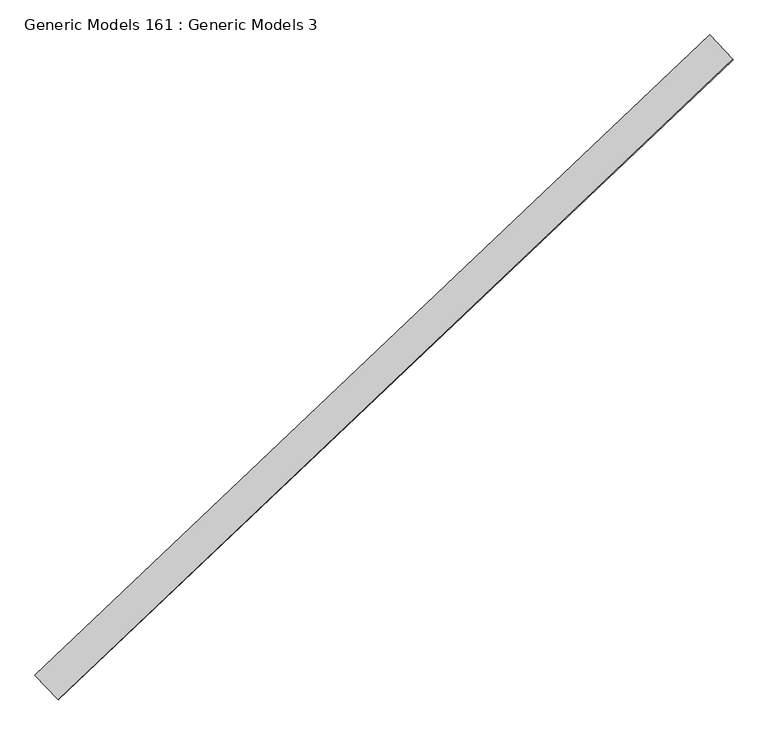
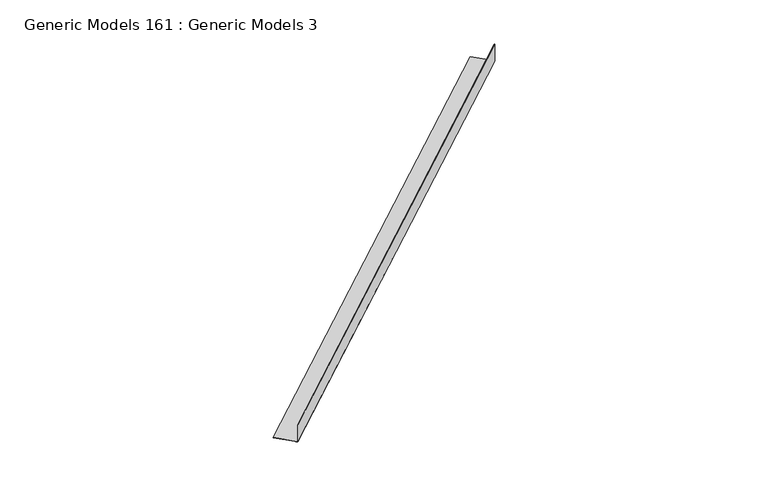
"""IFC4 building model written with IfcOpenShell, lengths in millimetres: proxy geometry, Generic Models 161 : Generic Models 3."""

from ifc_helpers import new_model, si_unit, frame, origin, place, context, project, spatial, polyline, outline, extrude, source, transform, mapped, element, save


def generic_models_161_generic_models_3_c4ec2fa7(model_context):
    return source(origin(), model_context, "Body", "SweptSolid", [
        extrude(outline(polyline([(91.0111459, 0.0), (91.0111459, -1.5875), (-43.8677771, -1.5875), (-43.8677771, -166.5808121), (-45.4552771, -166.5808121), (-45.4552771, 0.0), (91.0111459, 0.0)])), frame((101794.8752892, 55158.1003777, 17426.5884043), z_axis=(0.7253743710122866, 0.688354575693755, 0.0), x_axis=(0.0, 0.0, 1.0)), (0.0, 0.0, 1.0), 4530.725),
    ])


if __name__ == "__main__":
    model = new_model("IFC4")
    model_context = context("Model", 3, world=origin())
    ifc_project = project(units=[si_unit("LENGTHUNIT", "METRE", prefix="MILLI")], contexts=[model_context])
    site = spatial("IfcSite", under=ifc_project)
    building = spatial("IfcBuilding", under=site)
    placement = place(None, origin())
    generic_models_161_generic_models_3_shape = generic_models_161_generic_models_3_c4ec2fa7(model_context)
    element("IfcBuildingElementProxy", 1, Name="Generic Models 161 : Generic Models 3", ObjectType="Generic Models 161 : Generic Models 3", at=placement, inside=building, context=model_context, shape_type="MappedRepresentation", body=[
        mapped(generic_models_161_generic_models_3_shape, transform((0.0, 0.0, 0.0), x_axis=(1.0, 0.0, 0.0), y_axis=(0.0, 1.0, 0.0), z_axis=(0.0, 0.0, 1.0))),
    ])
    save(model, "model.ifc")
